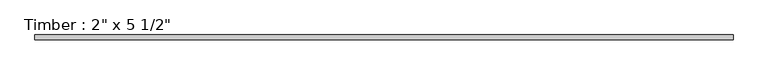
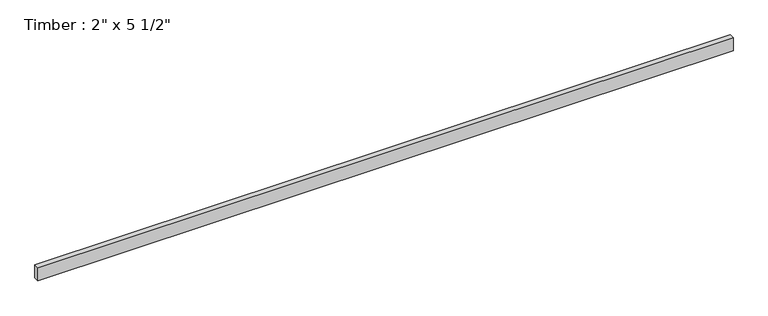
"""IFC4 building model written with IfcOpenShell, lengths in millimetres: beam geometry."""

from ifc_helpers import new_model, si_unit, frame, origin, place, context, project, spatial, polyline, outline, extrude, source, transform, mapped, element, save


def beam_947a933d(model_context):
    return source(origin(), model_context, "Body", "SweptSolid", [
        extrude(outline(polyline([(3489.1854336, 25.4), (3489.1854336, -25.4), (-3489.1854336, -25.4), (-3489.1854336, 25.4), (3489.1854336, 25.4)])), frame((0.0, 0.0, -69.85), z_axis=(0.0, 0.0, 1.0), x_axis=(1.0, 0.0, 0.0)), (0.0, 0.0, 1.0), 139.7),
    ])


if __name__ == "__main__":
    model = new_model("IFC4")
    model_context = context("Model", 3, world=origin())
    ifc_project = project(units=[si_unit("LENGTHUNIT", "METRE", prefix="MILLI")], contexts=[model_context])
    site = spatial("IfcSite", under=ifc_project)
    building = spatial("IfcBuilding", under=site)
    placement = place(None, origin())
    beam_shape = beam_947a933d(model_context)
    element("IfcBeam", 1, ObjectType="Timber : 2\" x 5 1/2\"", at=placement, inside=building, context=model_context, shape_type="MappedRepresentation", body=[
        mapped(beam_shape, transform((0.0, 0.0, 0.0), x_axis=(1.0, 0.0, 0.0), y_axis=(0.0, 1.0, 0.0), z_axis=(0.0, 0.0, 1.0))),
    ])
    save(model, "model.ifc")
